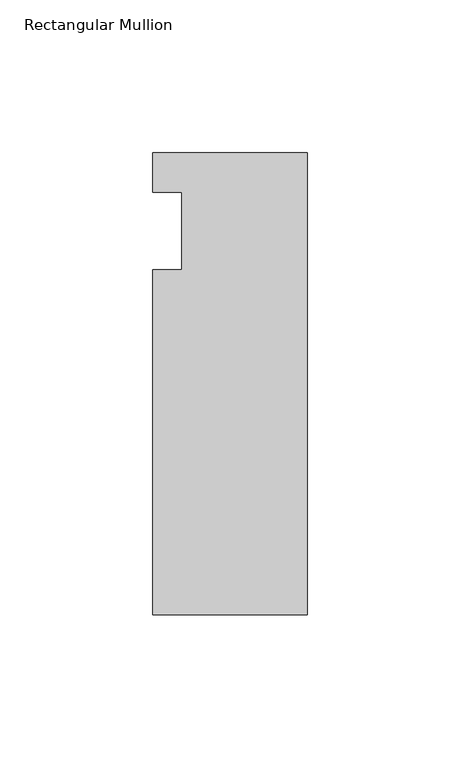
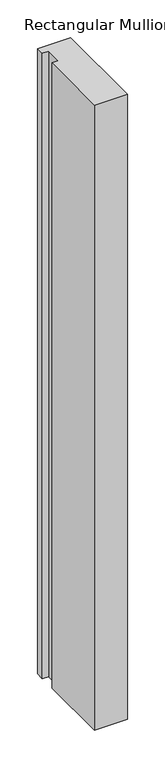
"""IFC4 building model written with IfcOpenShell, lengths in millimetres: member geometry, Rectangular Mullion."""

from ifc_helpers import new_model, si_unit, frame, origin, place, context, project, spatial, polyline, outline, extrude, source, transform, mapped, element, save


def rectangular_mullion_829c28b4(model_context):
    return source(origin(), model_context, "Body", "SweptSolid", [
        extrude(outline(polyline([(-50.8, 25.7961253), (0.0, 25.7961253), (0.0, -125.8036906), (-50.8, -125.8036906), (-50.8, -12.7), (-41.275, -12.7), (-41.275, 12.7), (-50.8, 12.7), (-50.8, 25.7961253)])), frame((0.0, 0.0, -1016.0), z_axis=(0.0, 0.0, 1.0), x_axis=(1.0, 0.0, 0.0)), (0.0, 0.0, 1.0), 1016.0),
    ])


if __name__ == "__main__":
    model = new_model("IFC4")
    model_context = context("Model", 3, world=origin())
    ifc_project = project(units=[si_unit("LENGTHUNIT", "METRE", prefix="MILLI")], contexts=[model_context])
    site = spatial("IfcSite", under=ifc_project)
    building = spatial("IfcBuilding", under=site)
    placement = place(None, origin())
    rectangular_mullion_shape = rectangular_mullion_829c28b4(model_context)
    element("IfcMember", 1, ObjectType="Rectangular Mullion", at=placement, inside=building, context=model_context, shape_type="MappedRepresentation", body=[
        mapped(rectangular_mullion_shape, transform((0.0, 0.0, 0.0), x_axis=(1.0, 0.0, 0.0), y_axis=(0.0, 1.0, 0.0), z_axis=(0.0, 0.0, 1.0))),
    ])
    save(model, "model.ifc")
